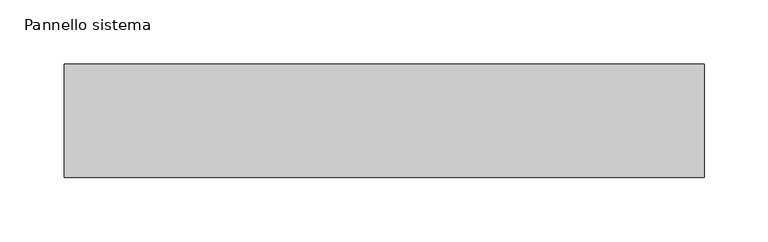
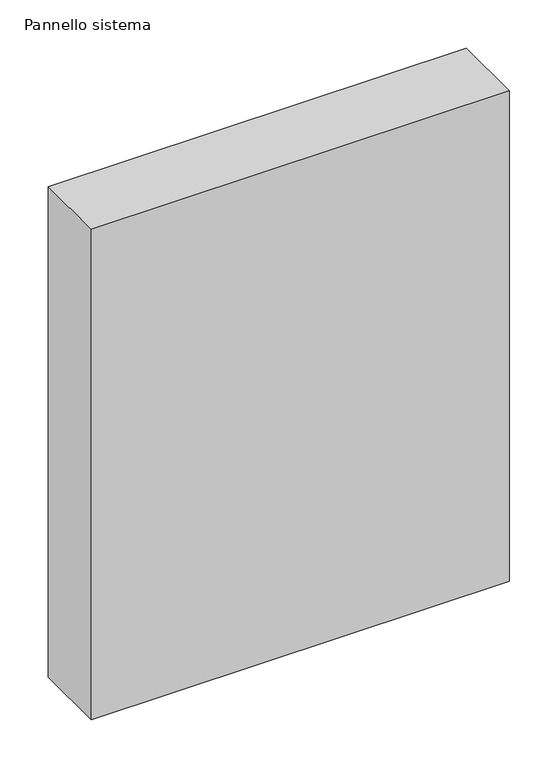
"""IFC4 building model written with IfcOpenShell, lengths in millimetres: plate geometry, Pannello sistema."""

from ifc_helpers import new_model, si_unit, origin, origin_with_axes, place, context, project, spatial, polyline, outline, extrude, source, transform, mapped, element, save


def pannello_sistema_58b048af(model_context):
    return source(origin(), model_context, "Body", "SweptSolid", [
        extrude(outline(polyline([(250.0, -44.5), (-250.0, -44.5), (-250.0, 44.5), (250.0, 44.5), (250.0, -44.5)])), origin_with_axes(), (0.0, 0.0, 1.0), 620.0),
    ])


if __name__ == "__main__":
    model = new_model("IFC4")
    model_context = context("Model", 3, world=origin())
    ifc_project = project(units=[si_unit("LENGTHUNIT", "METRE", prefix="MILLI")], contexts=[model_context])
    site = spatial("IfcSite", under=ifc_project)
    building = spatial("IfcBuilding", under=site)
    placement = place(None, origin())
    pannello_sistema_shape = pannello_sistema_58b048af(model_context)
    element("IfcPlate", 1, ObjectType="Pannello sistema", at=placement, inside=building, context=model_context, shape_type="MappedRepresentation", body=[
        mapped(pannello_sistema_shape, transform((0.0, 0.0, 0.0), x_axis=(1.0, 0.0, 0.0), y_axis=(0.0, 1.0, 0.0), z_axis=(0.0, 0.0, 1.0))),
    ])
    save(model, "model.ifc")
